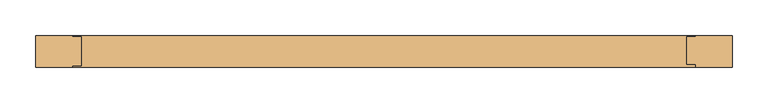
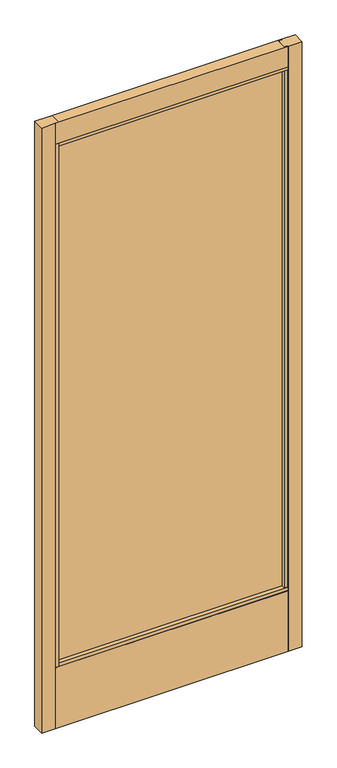
"""IFC4 building model written with IfcOpenShell, lengths in millimetres: door geometry."""

import ifcopenshell
import ifcopenshell.guid

model = None  # the IFC model being written
_history = None  # IfcOwnerHistory: only IFC2X3 demands one
_inside = {}  # id of a spatial element -> (the spatial element, [elements in it])
_under = {}  # id of a project, library or spatial element -> (it, [spatial elements below it])
_declared = {}  # id of a project -> (the project, [libraries it declares])
_typed = {}  # id of a type object -> (the type object, [elements of that type])
_made_of = {}  # id of a material, layer set ... -> (it, [elements and type objects made of it])


def new_model(schema):
    """Start an empty IFC model of exactly this schema.

    Asked for "IFC4X3", IfcOpenShell would pick the latest addendum, in which some entities
    have other attributes; the version numbers below select the first issue.
    IFC2X3 requires an IfcOwnerHistory on every rooted entity: one is made here for all.
    """
    global model, _history
    if schema == "IFC4X3":
        model = ifcopenshell.file(schema_version=(4, 3, 0, 0))
    else:
        model = ifcopenshell.file(schema=schema)
    _inside.clear()
    _under.clear()
    _declared.clear()
    _typed.clear()
    _made_of.clear()
    _history = None
    if model.schema == "IFC2X3":
        org = make("IfcOrganization", Name="unknown")
        user = make(
            "IfcPersonAndOrganization",
            ThePerson=make("IfcPerson", FamilyName="unknown"),
            TheOrganization=org,
        )
        app = make(
            "IfcApplication",
            ApplicationDeveloper=org,
            Version="unknown",
            ApplicationFullName="unknown",
            ApplicationIdentifier="unknown",
        )
        _history = make(
            "IfcOwnerHistory",
            OwningUser=user,
            OwningApplication=app,
            ChangeAction="ADDED",
            CreationDate=0,
        )
    return model


def make(cls, **values):
    """One entity of the class cls with the attributes given. An attribute that is None is left unset."""
    return model.create_entity(
        cls, **{name: value for name, value in values.items() if value is not None}
    )


def rooted(cls, **values):
    """An entity with a GlobalId (a new one), such as an element, a storey or a relation."""
    return make(cls, GlobalId=ifcopenshell.guid.new(), OwnerHistory=_history, **values)


def si_unit(unit_type, name, prefix=None):
    """IfcSIUnit, for example si_unit("LENGTHUNIT", "METRE", prefix="MILLI")."""
    return make("IfcSIUnit", UnitType=unit_type, Prefix=prefix, Name=name)


def assignment(units):
    """IfcUnitAssignment: the units of a project."""
    return None if units is None else make("IfcUnitAssignment", Units=units)


def point(xyz):
    """IfcCartesianPoint."""
    return None if xyz is None else make("IfcCartesianPoint", Coordinates=xyz)


def direction(xyz):
    """IfcDirection."""
    return None if xyz is None else make("IfcDirection", DirectionRatios=xyz)


def frame(location, z_axis=None, x_axis=None):
    """IfcAxis2Placement3D, a coordinate frame: its origin and axes. An axis left out is left unset."""
    return make(
        "IfcAxis2Placement3D",
        Location=point(location),
        Axis=direction(z_axis),
        RefDirection=direction(x_axis),
    )


def origin():
    """The frame at (0, 0, 0) with its axes left unset."""
    return frame((0.0, 0.0, 0.0))


def place(relative_to, where):
    """IfcLocalPlacement: puts the frame where relative to a parent placement (None: the world)."""
    return make(
        "IfcLocalPlacement", PlacementRelTo=relative_to, RelativePlacement=where
    )


def context(
    kind, dimensions, precision=None, world=None, true_north=None, identifier=None
):
    """IfcGeometricRepresentationContext, for example the 3D "Model" context."""
    return make(
        "IfcGeometricRepresentationContext",
        ContextIdentifier=identifier,
        ContextType=kind,
        CoordinateSpaceDimension=dimensions,
        Precision=precision,
        WorldCoordinateSystem=world,
        TrueNorth=true_north,
    )


def project(units=None, contexts=None):
    """IfcProject with its units and contexts."""
    return rooted(
        "IfcProject",
        Name="project",
        RepresentationContexts=contexts,
        UnitsInContext=assignment(units),
    )


def spatial(cls, under=None, at=None, **own):
    """A site, building, storey or space (cls), placed at a placement, below another one or the project."""
    s = rooted(cls, ObjectPlacement=at, **own)
    if under is not None:
        _under.setdefault(under.id(), (under, []))[1].append(s)
    return s


def polyline(points):
    """IfcPolyline through the points."""
    return make("IfcPolyline", Points=[point(p) for p in points])


def outline(outer, holes=None, kind="AREA"):
    """IfcArbitraryClosedProfileDef: a profile drawn as a closed curve; with holes, ...WithVoids."""
    if holes is None:
        return make("IfcArbitraryClosedProfileDef", ProfileType=kind, OuterCurve=outer)
    return make(
        "IfcArbitraryProfileDefWithVoids",
        ProfileType=kind,
        OuterCurve=outer,
        InnerCurves=holes,
    )


def extrude(swept, where, along, depth):
    """IfcExtrudedAreaSolid: the profile swept, set in the frame where, extruded along a direction by depth."""
    return make(
        "IfcExtrudedAreaSolid",
        SweptArea=swept,
        Position=where,
        ExtrudedDirection=direction(along),
        Depth=depth,
    )


def shape(context_of_items, identifier, shape_type, items):
    """IfcShapeRepresentation: the items that make up one representation, for example the "Body"."""
    return make(
        "IfcShapeRepresentation",
        ContextOfItems=context_of_items,
        RepresentationIdentifier=identifier,
        RepresentationType=shape_type,
        Items=items,
    )


def source(mapping_origin, context_of_items, identifier, shape_type, items):
    """IfcRepresentationMap: a shape defined once, which mapped items show again and again."""
    return make(
        "IfcRepresentationMap",
        MappingOrigin=mapping_origin,
        MappedRepresentation=shape(context_of_items, identifier, shape_type, items),
    )


def transform(
    local_origin,
    x_axis=None,
    y_axis=None,
    z_axis=None,
    scale=None,
    scale2=None,
    scale3=None,
    uniform=True,
):
    """IfcCartesianTransformationOperator3D, or its non-uniform kind. x_axis, y_axis, z_axis: its Axis1, 2, 3."""
    if uniform:
        return make(
            "IfcCartesianTransformationOperator3D",
            Axis1=direction(x_axis),
            Axis2=direction(y_axis),
            LocalOrigin=point(local_origin),
            Scale=scale,
            Axis3=direction(z_axis),
        )
    return make(
        "IfcCartesianTransformationOperator3DnonUniform",
        Axis1=direction(x_axis),
        Axis2=direction(y_axis),
        LocalOrigin=point(local_origin),
        Scale=scale,
        Axis3=direction(z_axis),
        Scale2=scale2,
        Scale3=scale3,
    )


def mapped(mapping_source, mapping_target):
    """IfcMappedItem: shows the shape of a source again, moved by a transform."""
    return make(
        "IfcMappedItem", MappingSource=mapping_source, MappingTarget=mapping_target
    )


def made_of(thing, what):
    """Note that an element or type object is made of a material, layer set ...; save() writes the relation."""
    if what is not None:
        _made_of.setdefault(what.id(), (what, []))[1].append(thing)
    return thing


def element(
    cls,
    number,
    at=None,
    inside=None,
    cuts=None,
    type_object=None,
    material=None,
    context=None,
    identifier="Body",
    shape_type=None,
    held_by="IfcProductDefinitionShape",
    body=None,
    shapes=None,
    **own,
):
    """One element of the class cls, such as IfcWall. Its Tag is "e" and its number.

    at: its placement. inside: the storey or other place that contains it. cuts: it is an
    opening in that element (IfcRelVoidsElement). A single representation is given by context,
    identifier, shape_type and body (its items); several are given by shapes. held_by: the class
    of the entity that holds the representations. save() writes the other relations.
    """
    e = rooted(cls, Tag="e%d" % number, ObjectPlacement=at, **own)
    if body is not None:
        shapes = [shape(context, identifier, shape_type, body)]
    if shapes is not None:
        e.Representation = make(held_by, Representations=shapes)
    if inside is not None:
        _inside.setdefault(inside.id(), (inside, []))[1].append(e)
    if cuts is not None:
        rooted(
            "IfcRelVoidsElement", RelatingBuildingElement=cuts, RelatedOpeningElement=e
        )
    if type_object is not None:
        _typed.setdefault(type_object.id(), (type_object, []))[1].append(e)
    return made_of(e, material)


def aggregate(whole, parts):
    """IfcRelAggregates: a whole, such as a stair, and the parts it consists of."""
    return rooted("IfcRelAggregates", RelatingObject=whole, RelatedObjects=parts)


def save(model, path):
    """Write the relations noted so far, then the file.

    IfcRelAggregates (storeys below a building ...), IfcRelContainedInSpatialStructure (elements
    in a storey), IfcRelDefinesByType, IfcRelAssociatesMaterial and IfcRelDeclares: one each for
    every whole, place, type object, material and project.
    """
    for whole, parts in _under.values():
        aggregate(whole, parts)
    for where, things in _inside.values():
        rooted(
            "IfcRelContainedInSpatialStructure",
            RelatedElements=things,
            RelatingStructure=where,
        )
    for kind, things in _typed.values():
        rooted("IfcRelDefinesByType", RelatedObjects=things, RelatingType=kind)
    for what, things in _made_of.values():
        rooted("IfcRelAssociatesMaterial", RelatedObjects=things, RelatingMaterial=what)
    for by, libraries in _declared.values():
        rooted("IfcRelDeclares", RelatingContext=by, RelatedDefinitions=libraries)
    model.write(path)


def door_ba1283fe(model_context):
    return source(origin(), model_context, "Body", "SweptSolid", [
        extrude(outline(polyline([(-490.5383852, 14.2875), (-438.9345147, 14.2875), (-438.9345147, 12.7276195), (-426.2345147, 12.7276195), (-426.2345147, -28.2929584), (-438.9345147, -28.2929584), (-438.9345147, -30.1625), (-490.5383852, -30.1625), (-490.5383852, 14.2875)])), frame((0.0, 0.0, 17.4625), z_axis=(0.0, 0.0, 1.0), x_axis=(1.0, 0.0, 0.0)), (0.0, 0.0, 1.0), 2407.8094027),
        extrude(outline(polyline([(-434.626051, -10.8991855), (-434.626051, -4.5491855), (431.0155572, -4.5491855), (431.0155572, -10.8991855), (-434.626051, -10.8991855)])), frame((0.0, 0.0, 263.906), z_axis=(0.0, 0.0, 1.0), x_axis=(1.0, 0.0, 0.0)), (0.0, 0.0, 1.0), 2074.0534027),
        extrude(outline(polyline([(490.5383852, 14.2875), (490.5383852, -30.1625), (438.9345147, -30.1625), (438.9345147, -26.0572968), (426.2345147, -26.0572968), (426.2345147, 12.7276195), (438.9345147, 12.7276195), (438.9345147, 14.2875), (490.5383852, 14.2875)])), frame((0.0, 0.0, 17.4625), z_axis=(0.0, 0.0, 1.0), x_axis=(1.0, 0.0, 0.0)), (0.0, 0.0, 1.0), 2407.8094027),
        extrude(outline(polyline([(-30.1625, 2425.2719027), (14.2875, 2425.2719027), (14.2875, 2342.7246967), (12.7276195, 2342.7246967), (12.7276195, 2330.0219027), (-28.2929584, 2330.0219027), (-28.2929584, 2342.7246967), (-30.1625, 2342.7246967), (-30.1625, 2425.2719027)])), frame((-438.9345147, 0.0, 0.0), z_axis=(1.0, 0.0, 0.0), x_axis=(0.0, 1.0, 0.0)), (0.0, 0.0, 1.0), 877.8690294),
        extrude(outline(polyline([(-28.2929584, 271.4298836), (12.7276195, 271.4298836), (12.7276195, 258.7303916), (14.2875, 258.7303916), (14.2875, 17.4625), (-30.1625, 17.4625), (-30.1625, 258.7303916), (-28.2929584, 258.7303916), (-28.2929584, 271.4298836)])), frame((-438.9345147, 0.0, 0.0), z_axis=(1.0, 0.0, 0.0), x_axis=(0.0, 1.0, 0.0)), (0.0, 0.0, 1.0), 877.8690294),
    ])


if __name__ == "__main__":
    model = new_model("IFC4")
    model_context = context("Model", 3, world=origin())
    ifc_project = project(units=[si_unit("LENGTHUNIT", "METRE", prefix="MILLI")], contexts=[model_context])
    site = spatial("IfcSite", under=ifc_project)
    building = spatial("IfcBuilding", under=site)
    placement = place(None, origin())
    door_shape = door_ba1283fe(model_context)
    element("IfcDoor", 1, at=placement, inside=building, context=model_context, shape_type="MappedRepresentation", body=[
        mapped(door_shape, transform((0.0, 0.0, 0.0), x_axis=(1.0, 0.0, 0.0), y_axis=(0.0, 1.0, 0.0), z_axis=(0.0, 0.0, 1.0))),
    ])
    save(model, "model.ifc")
